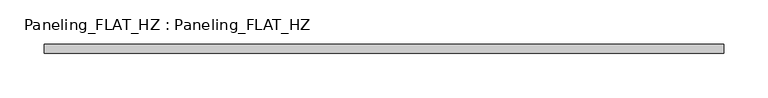
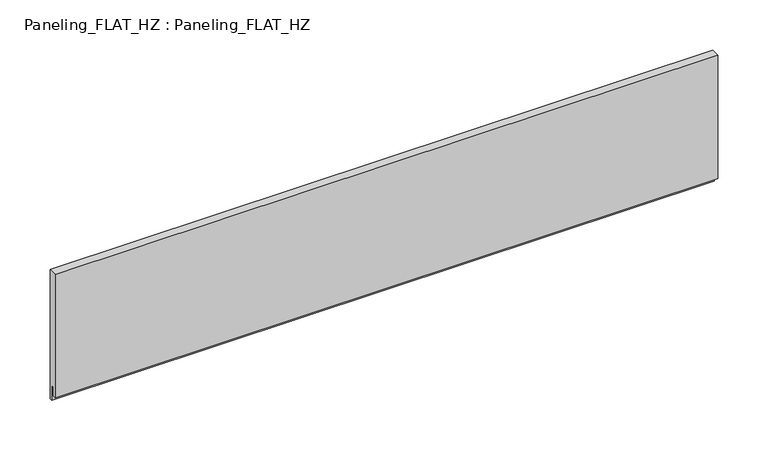
"""IFC4 building model written with IfcOpenShell, lengths in millimetres: plate geometry, Paneling_FLAT_HZ : Paneling_FLAT_HZ."""

from ifc_helpers import new_model, si_unit, frame, origin, place, context, project, spatial, polyline, outline, extrude, source, transform, mapped, element, save


def paneling_flat_hz_paneling_flat_hz_0c43a204(model_context):
    return source(origin(), model_context, "Body", "SweptSolid", [
        extrude(outline(polyline([(5.0, 151.0), (5.0, -7.0), (2.0, -7.0), (2.0, 11.0), (-1.0, 11.0), (-1.0, 0.0), (-5.0, 0.0), (-5.0, 151.0), (5.0, 151.0)])), frame((-382.25, 0.0, 0.0), z_axis=(1.0, 0.0, 0.0), x_axis=(0.0, 1.0, 0.0)), (0.0, 0.0, 1.0), 764.5),
    ])


if __name__ == "__main__":
    model = new_model("IFC4")
    model_context = context("Model", 3, world=origin())
    ifc_project = project(units=[si_unit("LENGTHUNIT", "METRE", prefix="MILLI")], contexts=[model_context])
    site = spatial("IfcSite", under=ifc_project)
    building = spatial("IfcBuilding", under=site)
    placement = place(None, origin())
    paneling_flat_hz_paneling_flat_hz_shape = paneling_flat_hz_paneling_flat_hz_0c43a204(model_context)
    element("IfcPlate", 1, ObjectType="Paneling_FLAT_HZ : Paneling_FLAT_HZ", at=placement, inside=building, context=model_context, shape_type="MappedRepresentation", body=[
        mapped(paneling_flat_hz_paneling_flat_hz_shape, transform((0.0, 0.0, 0.0), x_axis=(1.0, 0.0, 0.0), y_axis=(0.0, 1.0, 0.0), z_axis=(0.0, 0.0, 1.0))),
    ])
    save(model, "model.ifc")
